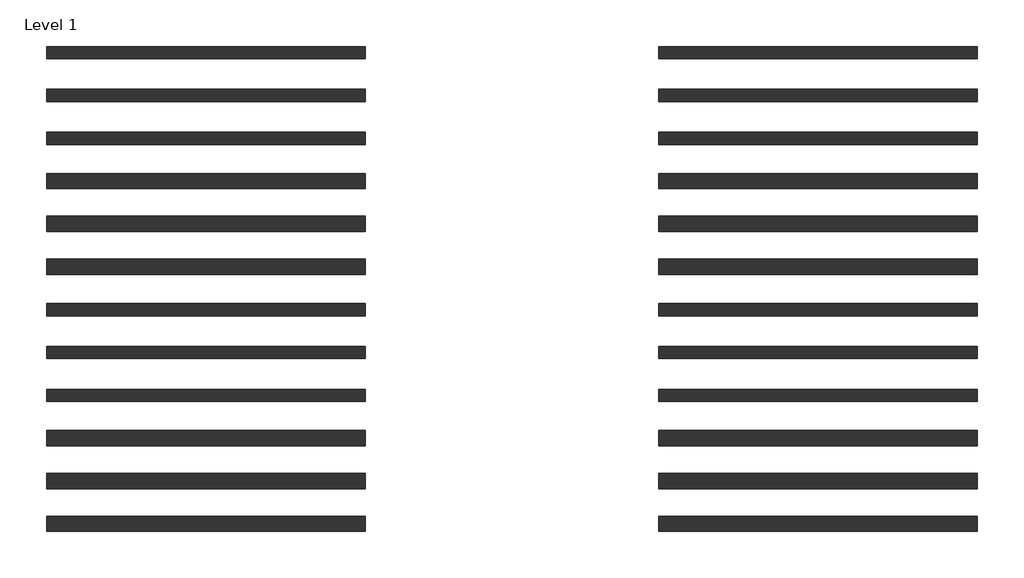
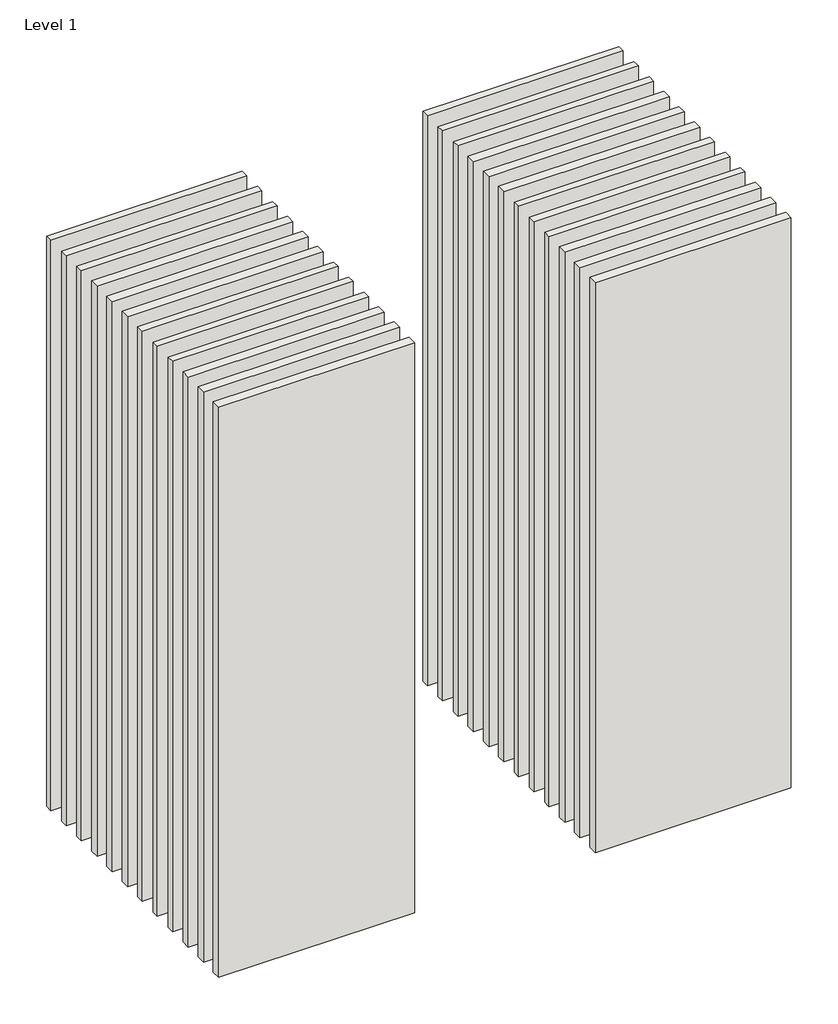
# One storey: 24 walls.
"""IFC4 building model written with IfcOpenShell, lengths in millimetres."""

from ifc_helpers import new_model, si_unit, origin, origin_with_axes, place, context, project, spatial, polyline, outline, extrude, element, save

model = new_model("IFC4")

# Units and contexts
model_context = context("Model", 3, world=origin())
ifc_project = project(units=[si_unit("LENGTHUNIT", "METRE", prefix="MILLI")], contexts=[model_context])

# Site, building, storey
site = spatial("IfcSite", under=ifc_project)
building = spatial("IfcBuilding", under=site)
storey = spatial("IfcBuildingStorey", under=building, Name="Level 1", Elevation=0.0)

# Walls
placement = place(None, origin())
element("IfcWall", 1, at=placement, inside=storey, context=model_context, shape_type="SweptSolid", body=[
    extrude(outline(polyline([(-16904.1464237, 3687.5198817), (-19504.1464237, 3687.5198817), (-19504.1464237, 3787.5198817), (-16904.1464237, 3787.5198817), (-16904.1464237, 3687.5198817)])), origin_with_axes(), (0.0, 0.0, 1.0), 8000.0),
])
element("IfcWall", 2, at=placement, inside=storey, context=model_context, shape_type="SweptSolid", body=[
    extrude(outline(polyline([(-16904.1464237, 3337.5198817), (-19504.1464237, 3337.5198817), (-19504.1464237, 3437.5198817), (-16904.1464237, 3437.5198817), (-16904.1464237, 3337.5198817)])), origin_with_axes(), (0.0, 0.0, 1.0), 8000.0),
])
element("IfcWall", 3, at=placement, inside=storey, context=model_context, shape_type="SweptSolid", body=[
    extrude(outline(polyline([(-16904.1464237, 2987.5198817), (-19504.1464237, 2987.5198817), (-19504.1464237, 3087.5198817), (-16904.1464237, 3087.5198817), (-16904.1464237, 2987.5198817)])), origin_with_axes(), (0.0, 0.0, 1.0), 8000.0),
])
element("IfcWall", 4, at=placement, inside=storey, context=model_context, shape_type="SweptSolid", body=[
    extrude(outline(polyline([(-16904.1464237, 2625.0198817), (-19504.1464237, 2625.0198817), (-19504.1464237, 2750.0198817), (-16904.1464237, 2750.0198817), (-16904.1464237, 2625.0198817)])), origin_with_axes(), (0.0, 0.0, 1.0), 8000.0),
])
element("IfcWall", 5, at=placement, inside=storey, context=model_context, shape_type="SweptSolid", body=[
    extrude(outline(polyline([(-16904.1464237, 2275.0198817), (-19504.1464237, 2275.0198817), (-19504.1464237, 2400.0198817), (-16904.1464237, 2400.0198817), (-16904.1464237, 2275.0198817)])), origin_with_axes(), (0.0, 0.0, 1.0), 8000.0),
])
element("IfcWall", 6, at=placement, inside=storey, context=model_context, shape_type="SweptSolid", body=[
    extrude(outline(polyline([(-16904.1464237, 1925.0198817), (-19504.1464237, 1925.0198817), (-19504.1464237, 2050.0198817), (-16904.1464237, 2050.0198817), (-16904.1464237, 1925.0198817)])), origin_with_axes(), (0.0, 0.0, 1.0), 8000.0),
])
element("IfcWall", 7, at=placement, inside=storey, context=model_context, shape_type="SweptSolid", body=[
    extrude(outline(polyline([(-16904.1464237, 1587.5198817), (-19504.1464237, 1587.5198817), (-19504.1464237, 1687.5198817), (-16904.1464237, 1687.5198817), (-16904.1464237, 1587.5198817)])), origin_with_axes(), (0.0, 0.0, 1.0), 8000.0),
])
element("IfcWall", 8, at=placement, inside=storey, context=model_context, shape_type="SweptSolid", body=[
    extrude(outline(polyline([(-16904.1464237, 1237.5198817), (-19504.1464237, 1237.5198817), (-19504.1464237, 1337.5198817), (-16904.1464237, 1337.5198817), (-16904.1464237, 1237.5198817)])), origin_with_axes(), (0.0, 0.0, 1.0), 8000.0),
])
element("IfcWall", 9, at=placement, inside=storey, context=model_context, shape_type="SweptSolid", body=[
    extrude(outline(polyline([(-16904.1464237, 887.5198817), (-19504.1464237, 887.5198817), (-19504.1464237, 987.5198817), (-16904.1464237, 987.5198817), (-16904.1464237, 887.5198817)])), origin_with_axes(), (0.0, 0.0, 1.0), 8000.0),
])
element("IfcWall", 10, at=placement, inside=storey, context=model_context, shape_type="SweptSolid", body=[
    extrude(outline(polyline([(-16904.1464237, 525.0198817), (-19504.1464237, 525.0198817), (-19504.1464237, 650.0198817), (-16904.1464237, 650.0198817), (-16904.1464237, 525.0198817)])), origin_with_axes(), (0.0, 0.0, 1.0), 8000.0),
])
element("IfcWall", 11, at=placement, inside=storey, context=model_context, shape_type="SweptSolid", body=[
    extrude(outline(polyline([(-16904.1464237, 175.0198817), (-19504.1464237, 175.0198817), (-19504.1464237, 300.0198817), (-16904.1464237, 300.0198817), (-16904.1464237, 175.0198817)])), origin_with_axes(), (0.0, 0.0, 1.0), 8000.0),
])
element("IfcWall", 12, at=placement, inside=storey, context=model_context, shape_type="SweptSolid", body=[
    extrude(outline(polyline([(-16904.1464237, -174.9801183), (-19504.1464237, -174.9801183), (-19504.1464237, -49.9801183), (-16904.1464237, -49.9801183), (-16904.1464237, -174.9801183)])), origin_with_axes(), (0.0, 0.0, 1.0), 8000.0),
])
element("IfcWall", 13, at=placement, inside=storey, context=model_context, shape_type="SweptSolid", body=[
    extrude(outline(polyline([(-11904.1464237, 3687.5198817), (-14504.1464237, 3687.5198817), (-14504.1464237, 3787.5198817), (-11904.1464237, 3787.5198817), (-11904.1464237, 3687.5198817)])), origin_with_axes(), (0.0, 0.0, 1.0), 8000.0),
])
element("IfcWall", 14, at=placement, inside=storey, context=model_context, shape_type="SweptSolid", body=[
    extrude(outline(polyline([(-11904.1464237, 3337.5198817), (-14504.1464237, 3337.5198817), (-14504.1464237, 3437.5198817), (-11904.1464237, 3437.5198817), (-11904.1464237, 3337.5198817)])), origin_with_axes(), (0.0, 0.0, 1.0), 8000.0),
])
element("IfcWall", 15, at=placement, inside=storey, context=model_context, shape_type="SweptSolid", body=[
    extrude(outline(polyline([(-11904.1464237, 2987.5198817), (-14504.1464237, 2987.5198817), (-14504.1464237, 3087.5198817), (-11904.1464237, 3087.5198817), (-11904.1464237, 2987.5198817)])), origin_with_axes(), (0.0, 0.0, 1.0), 8000.0),
])
element("IfcWall", 16, at=placement, inside=storey, context=model_context, shape_type="SweptSolid", body=[
    extrude(outline(polyline([(-11904.1464237, 2625.0198817), (-14504.1464237, 2625.0198817), (-14504.1464237, 2750.0198817), (-11904.1464237, 2750.0198817), (-11904.1464237, 2625.0198817)])), origin_with_axes(), (0.0, 0.0, 1.0), 8000.0),
])
element("IfcWall", 17, at=placement, inside=storey, context=model_context, shape_type="SweptSolid", body=[
    extrude(outline(polyline([(-11904.1464237, 2275.0198817), (-14504.1464237, 2275.0198817), (-14504.1464237, 2400.0198817), (-11904.1464237, 2400.0198817), (-11904.1464237, 2275.0198817)])), origin_with_axes(), (0.0, 0.0, 1.0), 8000.0),
])
element("IfcWall", 18, at=placement, inside=storey, context=model_context, shape_type="SweptSolid", body=[
    extrude(outline(polyline([(-11904.1464237, 1925.0198817), (-14504.1464237, 1925.0198817), (-14504.1464237, 2050.0198817), (-11904.1464237, 2050.0198817), (-11904.1464237, 1925.0198817)])), origin_with_axes(), (0.0, 0.0, 1.0), 8000.0),
])
element("IfcWall", 19, at=placement, inside=storey, context=model_context, shape_type="SweptSolid", body=[
    extrude(outline(polyline([(-11904.1464237, 1587.5198817), (-14504.1464237, 1587.5198817), (-14504.1464237, 1687.5198817), (-11904.1464237, 1687.5198817), (-11904.1464237, 1587.5198817)])), origin_with_axes(), (0.0, 0.0, 1.0), 8000.0),
])
element("IfcWall", 20, at=placement, inside=storey, context=model_context, shape_type="SweptSolid", body=[
    extrude(outline(polyline([(-11904.1464237, 1237.5198817), (-14504.1464237, 1237.5198817), (-14504.1464237, 1337.5198817), (-11904.1464237, 1337.5198817), (-11904.1464237, 1237.5198817)])), origin_with_axes(), (0.0, 0.0, 1.0), 8000.0),
])
element("IfcWall", 21, at=placement, inside=storey, context=model_context, shape_type="SweptSolid", body=[
    extrude(outline(polyline([(-11904.1464237, 887.5198817), (-14504.1464237, 887.5198817), (-14504.1464237, 987.5198817), (-11904.1464237, 987.5198817), (-11904.1464237, 887.5198817)])), origin_with_axes(), (0.0, 0.0, 1.0), 8000.0),
])
element("IfcWall", 22, at=placement, inside=storey, context=model_context, shape_type="SweptSolid", body=[
    extrude(outline(polyline([(-11904.1464237, 525.0198817), (-14504.1464237, 525.0198817), (-14504.1464237, 650.0198817), (-11904.1464237, 650.0198817), (-11904.1464237, 525.0198817)])), origin_with_axes(), (0.0, 0.0, 1.0), 8000.0),
])
element("IfcWall", 23, at=placement, inside=storey, context=model_context, shape_type="SweptSolid", body=[
    extrude(outline(polyline([(-11904.1464237, 175.0198817), (-14504.1464237, 175.0198817), (-14504.1464237, 300.0198817), (-11904.1464237, 300.0198817), (-11904.1464237, 175.0198817)])), origin_with_axes(), (0.0, 0.0, 1.0), 8000.0),
])
element("IfcWall", 24, at=placement, inside=storey, context=model_context, shape_type="SweptSolid", body=[
    extrude(outline(polyline([(-11904.1464237, -174.9801183), (-14504.1464237, -174.9801183), (-14504.1464237, -49.9801183), (-11904.1464237, -49.9801183), (-11904.1464237, -174.9801183)])), origin_with_axes(), (0.0, 0.0, 1.0), 8000.0),
])

save(model, "model.ifc")
